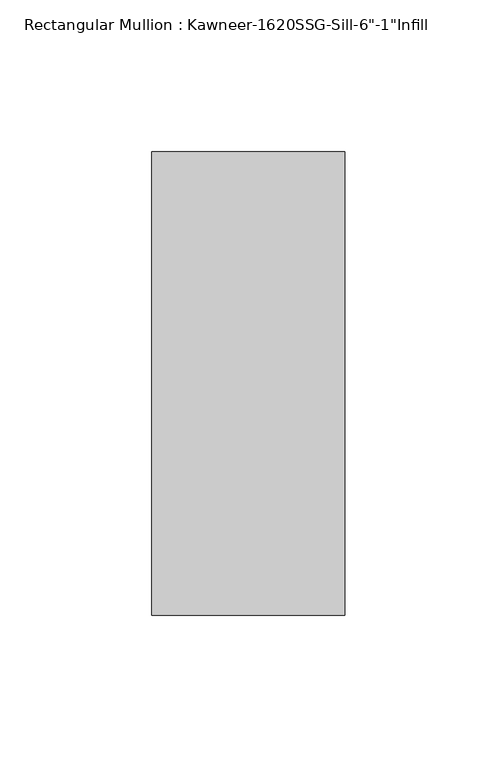
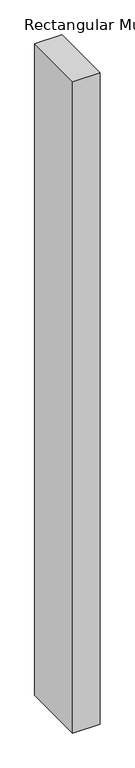
"""IFC4 building model written with IfcOpenShell, lengths in millimetres: member geometry."""

from ifc_helpers import new_model, si_unit, frame, origin, place, context, project, spatial, polyline, outline, extrude, source, transform, mapped, element, save


def member_e2af80d5(model_context):
    return source(origin(), model_context, "Body", "SweptSolid", [
        extrude(outline(polyline([(-63.5, 38.1), (0.0, 38.1), (0.0, -114.3), (-63.5, -114.3), (-63.5, 38.1)])), frame((0.0, 0.0, -1594.7182369), z_axis=(0.0, 0.0, 1.0), x_axis=(1.0, 0.0, 0.0)), (0.0, 0.0, 1.0), 1594.7182369),
    ])


if __name__ == "__main__":
    model = new_model("IFC4")
    model_context = context("Model", 3, world=origin())
    ifc_project = project(units=[si_unit("LENGTHUNIT", "METRE", prefix="MILLI")], contexts=[model_context])
    site = spatial("IfcSite", under=ifc_project)
    building = spatial("IfcBuilding", under=site)
    placement = place(None, origin())
    member_shape = member_e2af80d5(model_context)
    element("IfcMember", 1, ObjectType="Rectangular Mullion : Kawneer-1620SSG-Sill-6\"-1\"Infill", at=placement, inside=building, context=model_context, shape_type="MappedRepresentation", body=[
        mapped(member_shape, transform((0.0, 0.0, 0.0), x_axis=(1.0, 0.0, 0.0), y_axis=(0.0, 1.0, 0.0), z_axis=(0.0, 0.0, 1.0))),
    ])
    save(model, "model.ifc")
